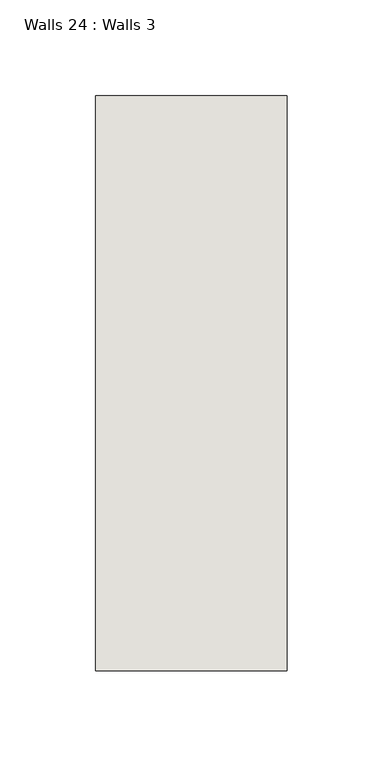
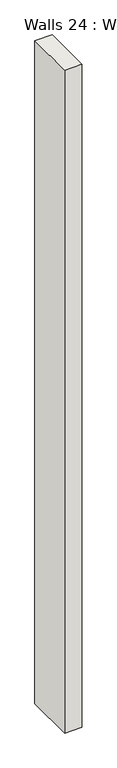
"""IFC4 building model written with IfcOpenShell, lengths in millimetres: wall geometry, Walls 24 : Walls 3."""

from ifc_helpers import new_model, si_unit, origin, origin_with_axes, place, context, project, spatial, polyline, outline, extrude, source, transform, mapped, element, save


def walls_24_walls_3_e2547f4d(model_context):
    return source(origin(), model_context, "Body", "SweptSolid", [
        extrude(outline(polyline([(-4412.3812655, 1518.41264), (-4412.3812655, 1818.41264), (-4312.3812655, 1818.41264), (-4312.3812655, 1518.41264), (-4412.3812655, 1518.41264)])), origin_with_axes(), (0.0, 0.0, 1.0), 4085.1192828),
    ])


if __name__ == "__main__":
    model = new_model("IFC4")
    model_context = context("Model", 3, world=origin())
    ifc_project = project(units=[si_unit("LENGTHUNIT", "METRE", prefix="MILLI")], contexts=[model_context])
    site = spatial("IfcSite", under=ifc_project)
    building = spatial("IfcBuilding", under=site)
    placement = place(None, origin())
    walls_24_walls_3_shape = walls_24_walls_3_e2547f4d(model_context)
    element("IfcWall", 1, ObjectType="Walls 24 : Walls 3", at=placement, inside=building, context=model_context, shape_type="MappedRepresentation", body=[
        mapped(walls_24_walls_3_shape, transform((0.0, 0.0, 0.0), x_axis=(1.0, 0.0, 0.0), y_axis=(0.0, 1.0, 0.0), z_axis=(0.0, 0.0, 1.0))),
    ])
    save(model, "model.ifc")
